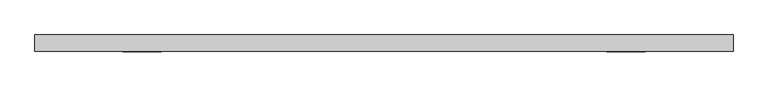
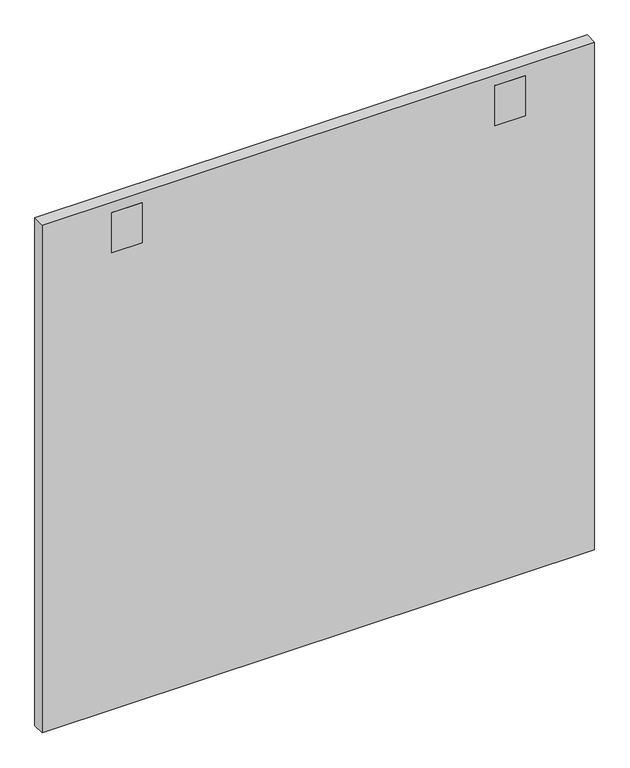
"""IFC4 building model written with IfcOpenShell, lengths in millimetres: furniture geometry."""

from ifc_helpers import new_model, si_unit, frame, origin, place, context, project, spatial, polyline, outline, extrude, source, transform, mapped, element, save


def furniture_ee39efe6(model_context):
    return source(origin(), model_context, "Body", "SweptSolid", [
        extrude(outline(polyline([(-244.4749985, 38.1), (854.0749758, 38.1), (854.0749758, 12.7), (-244.4749985, 12.7), (-244.4749985, 38.1)])), frame((0.0, 0.0, 88.9), z_axis=(0.0, 0.0, 1.0), x_axis=(1.0, 0.0, 0.0)), (0.0, 0.0, 1.0), 1066.8),
        extrude(outline(polyline([(-46.0375061, 11.90625), (-106.3624939, 11.90625), (-106.3624939, 12.7), (-46.0375061, 12.7), (-46.0375061, 11.90625)])), frame((0.0, 0.0, 1050.1312227), z_axis=(0.0, 0.0, 1.0), x_axis=(1.0, 0.0, 0.0)), (0.0, 0.0, 1.0), 84.1375),
        extrude(outline(polyline([(715.9624758, 11.90625), (655.6375242, 11.90625), (655.6375242, 12.7), (715.9624758, 12.7), (715.9624758, 11.90625)])), frame((0.0, 0.0, 1050.1312227), z_axis=(0.0, 0.0, 1.0), x_axis=(1.0, 0.0, 0.0)), (0.0, 0.0, 1.0), 84.1375),
    ])


if __name__ == "__main__":
    model = new_model("IFC4")
    model_context = context("Model", 3, world=origin())
    ifc_project = project(units=[si_unit("LENGTHUNIT", "METRE", prefix="MILLI")], contexts=[model_context])
    site = spatial("IfcSite", under=ifc_project)
    building = spatial("IfcBuilding", under=site)
    placement = place(None, origin())
    furniture_shape = furniture_ee39efe6(model_context)
    element("IfcFurniture", 1, at=placement, inside=building, context=model_context, shape_type="MappedRepresentation", body=[
        mapped(furniture_shape, transform((0.0, 0.0, 0.0), x_axis=(1.0, 0.0, 0.0), y_axis=(0.0, 1.0, 0.0), z_axis=(0.0, 0.0, 1.0))),
    ])
    save(model, "model.ifc")
